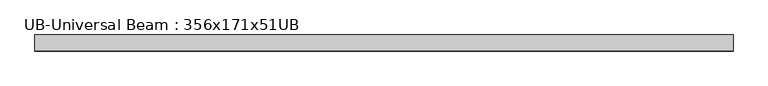
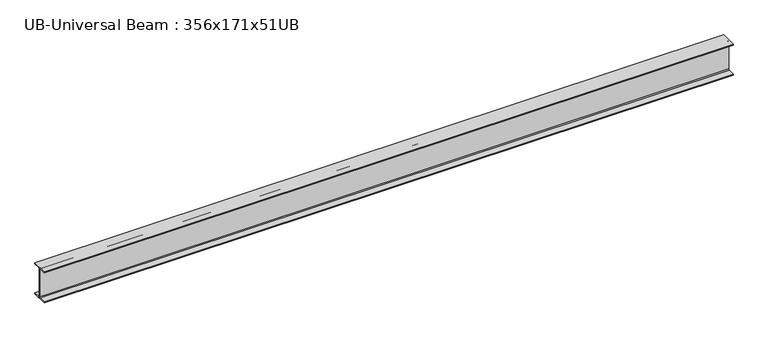
"""IFC4 building model written with IfcOpenShell, lengths in millimetres: beam geometry, UB-Universal Beam : 356x171x51UB."""

from ifc_helpers import new_model, si_unit, point, frame, frame_2d, origin, place, context, project, spatial, polyline, circle_curve, trimmed, segment, composite_curve, outline, extrude, source, transform, mapped, element, save


def ub_universal_beam_356x171x51ub_76a863a0(model_context):
    return source(origin(), model_context, "Body", "SweptSolid", [
        extrude(outline(composite_curve([segment(polyline([(85.75, -166.0), (85.75, -177.5), (-85.75, -177.5), (-85.75, -166.0), (-13.9, -166.0)]), True, "CONTINUOUS"), segment(trimmed(circle_curve(frame_2d((-13.9, -155.8)), 10.2), [point((-13.9, -166.0))], [point((-3.7, -155.8))], True, "CARTESIAN"), True, "CONTINUOUS"), segment(polyline([(-3.7, -155.8), (-3.7, 155.8)]), True, "CONTINUOUS"), segment(trimmed(circle_curve(frame_2d((-13.9, 155.8)), 10.2), [point((-3.7, 155.8))], [point((-13.9, 166.0))], True, "CARTESIAN"), True, "CONTINUOUS"), segment(polyline([(-13.9, 166.0), (-85.75, 166.0), (-85.75, 177.5), (85.75, 177.5), (85.75, 166.0), (13.9, 166.0)]), True, "CONTINUOUS"), segment(trimmed(circle_curve(frame_2d((13.9, 155.8)), 10.2), [point((13.9, 166.0))], [point((3.7, 155.8))], True, "CARTESIAN"), True, "CONTINUOUS"), segment(polyline([(3.7, 155.8), (3.7, -155.8)]), True, "CONTINUOUS"), segment(trimmed(circle_curve(frame_2d((13.9, -155.8)), 10.2), [point((3.7, -155.8))], [point((13.9, -166.0))], True, "CARTESIAN"), True, "CONTINUOUS"), segment(polyline([(13.9, -166.0), (85.75, -166.0)]), True, "CONTINUOUS")], self_intersect=False)), frame((-3750.117434, 0.0, 0.0), z_axis=(1.0, 0.0, 0.0), x_axis=(0.0, 1.0, 0.0)), (0.0, 0.0, 1.0), 7442.3491022),
    ])


if __name__ == "__main__":
    model = new_model("IFC4")
    model_context = context("Model", 3, world=origin())
    ifc_project = project(units=[si_unit("LENGTHUNIT", "METRE", prefix="MILLI")], contexts=[model_context])
    site = spatial("IfcSite", under=ifc_project)
    building = spatial("IfcBuilding", under=site)
    placement = place(None, origin())
    ub_universal_beam_356x171x51ub_shape = ub_universal_beam_356x171x51ub_76a863a0(model_context)
    element("IfcBeam", 1, ObjectType="UB-Universal Beam : 356x171x51UB", at=placement, inside=building, context=model_context, shape_type="MappedRepresentation", body=[
        mapped(ub_universal_beam_356x171x51ub_shape, transform((0.0, 0.0, 0.0), x_axis=(1.0, 0.0, 0.0), y_axis=(0.0, 1.0, 0.0), z_axis=(0.0, 0.0, 1.0))),
    ])
    save(model, "model.ifc")
